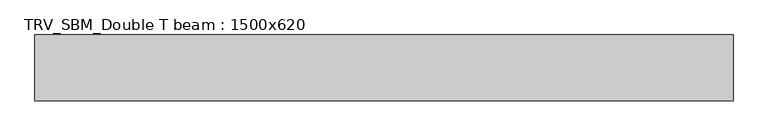
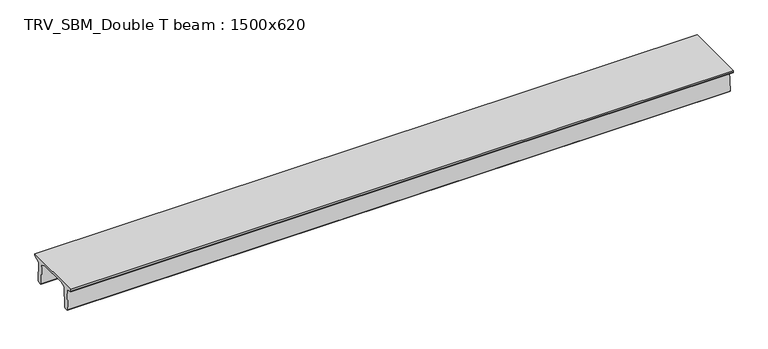
"""IFC4 building model written with IfcOpenShell, lengths in millimetres: beam geometry, TRV_SBM_Double T beam : 1500x620."""

from ifc_helpers import new_model, si_unit, frame, origin, place, context, project, spatial, polyline, outline, extrude, source, transform, mapped, element, save


def trv_sbm_double_t_beam_1500x620_6a5a2dee(model_context):
    return source(origin(), model_context, "Body", "SweptSolid", [
        extrude(outline(polyline([(-765.0, 215.0), (-765.0, 260.0), (735.0, 260.0), (735.0, 215.0), (728.2094488, 201.315559), (578.0626443, 140.6523122), (594.8277662, -339.4379646), (574.2657308, -360.0), (484.2657308, -360.0), (464.786332, -340.5206011), (447.8600761, 144.18395), (338.3237744, 210.0), (-367.4555014, 210.0), (-476.5389732, 151.9992892), (-507.0080378, -339.3850967), (-527.622941, -360.0), (-615.122941, -360.0), (-637.1143055, -338.0086356), (-606.1572167, 162.687806), (-761.3068466, 204.260024), (-765.0, 215.0)])), frame((-7921.0, 0.0, 0.0), z_axis=(1.0, 0.0, 0.0), x_axis=(0.0, 1.0, 0.0)), (0.0, 0.0, 1.0), 15919.0),
    ])


if __name__ == "__main__":
    model = new_model("IFC4")
    model_context = context("Model", 3, world=origin())
    ifc_project = project(units=[si_unit("LENGTHUNIT", "METRE", prefix="MILLI")], contexts=[model_context])
    site = spatial("IfcSite", under=ifc_project)
    building = spatial("IfcBuilding", under=site)
    placement = place(None, origin())
    trv_sbm_double_t_beam_1500x620_shape = trv_sbm_double_t_beam_1500x620_6a5a2dee(model_context)
    element("IfcBeam", 1, ObjectType="TRV_SBM_Double T beam : 1500x620", at=placement, inside=building, context=model_context, shape_type="MappedRepresentation", body=[
        mapped(trv_sbm_double_t_beam_1500x620_shape, transform((0.0, 0.0, 0.0), x_axis=(1.0, 0.0, 0.0), y_axis=(0.0, 1.0, 0.0), z_axis=(0.0, 0.0, 1.0))),
    ])
    save(model, "model.ifc")
